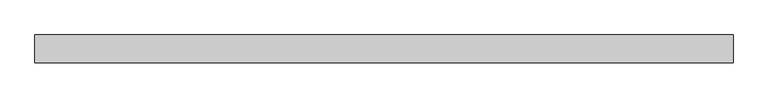
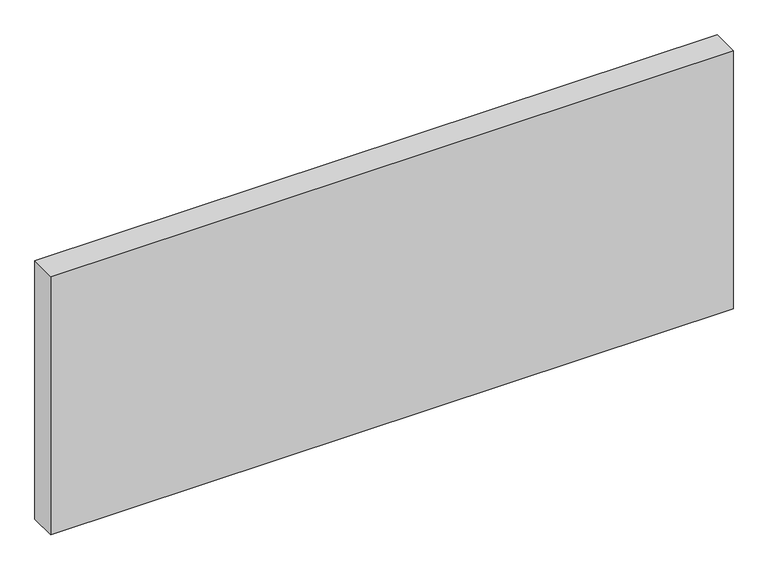
"""IFC4 building model written with IfcOpenShell, lengths in millimetres: proxy geometry."""

from ifc_helpers import new_model, si_unit, origin, origin_with_axes, place, context, project, spatial, polyline, outline, extrude, source, transform, mapped, element, save


def generic_models_4ab57eaa(model_context):
    return source(origin(), model_context, "Body", "SweptSolid", [
        extrude(outline(polyline([(5000.0, 200.0), (5000.0, 0.0), (0.0, 0.0), (0.0, 200.0), (5000.0, 200.0)])), origin_with_axes(), (0.0, 0.0, 1.0), 2000.0),
    ])


if __name__ == "__main__":
    model = new_model("IFC4")
    model_context = context("Model", 3, world=origin())
    ifc_project = project(units=[si_unit("LENGTHUNIT", "METRE", prefix="MILLI")], contexts=[model_context])
    site = spatial("IfcSite", under=ifc_project)
    building = spatial("IfcBuilding", under=site)
    placement = place(None, origin())
    generic_models_shape = generic_models_4ab57eaa(model_context)
    element("IfcBuildingElementProxy", 1, Name="Generic Models", at=placement, inside=building, context=model_context, shape_type="MappedRepresentation", body=[
        mapped(generic_models_shape, transform((0.0, 0.0, 0.0), x_axis=(1.0, 0.0, 0.0), y_axis=(0.0, 1.0, 0.0), z_axis=(0.0, 0.0, 1.0))),
    ])
    save(model, "model.ifc")
